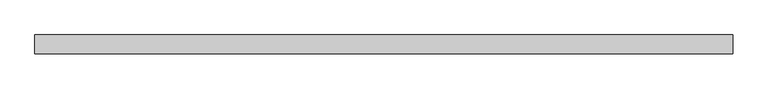
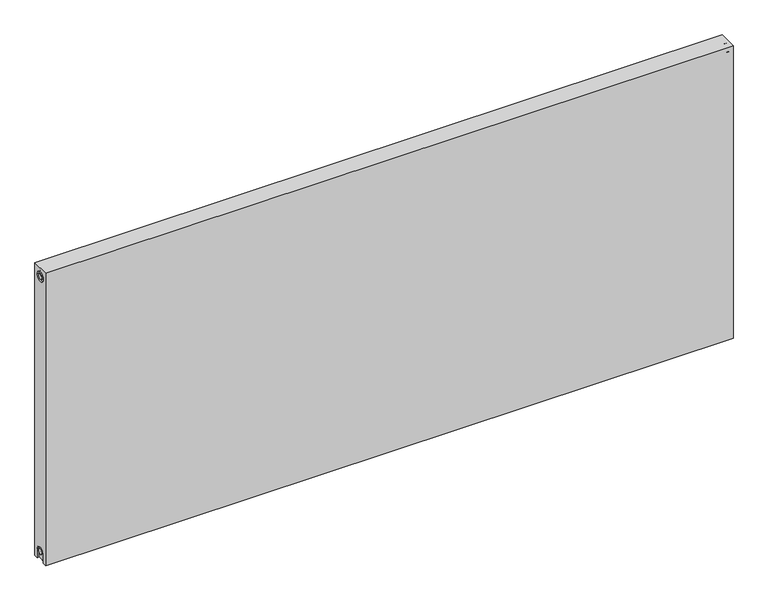
"""IFC4 building model written with IfcOpenShell, lengths in millimetres: proxy geometry."""

from ifc_helpers import new_model, si_unit, frame, origin, place, context, project, spatial, polyline, circle_curve, source, transform, mapped, element, save
from ifc_brep_helpers import plane_surface, cylinder_surface, revolved_surface, advanced_brep


def mechanical_equipment_a3fffa4e(model_context):
    return source(origin(), model_context, "Body", "AdvancedBrep", [
        advanced_brep(
        [(2000.0, 27.0, 900.0), (2000.0, 27.0, 0.0), (0.0, 27.0, 0.0), (0.0, 27.0, 900.0), (2000.0, -27.0, 900.0), (0.0, -27.0, 900.0), (0.0, -27.0, 0.0), (2000.0, -27.0, 0.0), (2000.0, -15.0, 0.0), (2000.0, -15.0, 27.0), (2000.0, 15.0, 27.0), (2000.0, 15.0, 0.0), (2000.0, 14.7242393, 873.0), (2000.0, -15.2757607, 873.0), (2000.0, -7.5, 27.0), (2000.0, 7.5, 27.0), (2000.0, 7.2242393, 873.0), (2000.0, -7.7757607, 873.0), (1995.0, 15.0, 0.0), (1995.0, -15.0, 0.0), (0.0, -15.0, 0.0), (5.0, -15.0, 0.0), (5.0, 15.0, 0.0), (0.0, 15.0, 0.0), (0.0, 15.0, 27.0), (0.0, -15.0, 27.0), (0.0, -15.2757607, 873.0), (0.0, 14.7242393, 873.0), (0.0, -7.7757607, 873.0), (0.0, 7.2242393, 873.0), (0.0, 7.5, 27.0), (0.0, -7.5, 27.0), (5.0, -15.2757607, 873.0), (5.0, 14.7242393, 873.0), (5.0, -7.7757607, 873.0), (5.0, 7.2242393, 873.0), (5.0, -15.0, 27.0), (5.0, 15.0, 27.0), (5.0, -7.5, 27.0), (5.0, 7.5, 27.0), (1995.0, 15.0, 27.0), (1995.0, -15.0, 27.0), (1995.0, -7.5, 27.0), (1995.0, 7.5, 27.0), (1995.0, -15.2757607, 873.0), (1995.0, 14.7242393, 873.0), (1995.0, -7.7757607, 873.0), (1995.0, 7.2242393, 873.0)],
        [
            (0, 1),
            (1, 2),
            (2, 3),
            (3, 0),
            (4, 5),
            (5, 6),
            (6, 7),
            (7, 4),
            (0, 4),
            (7, 8),
            (8, 9),
            (9, 10, circle_curve(frame((2000.0, 0.0, 27.0), z_axis=(-1.0, 0.0, 0.0), x_axis=(0.0, 1.0, 0.0)), 15.0)),
            (10, 11),
            (11, 1),
            (12, 13, circle_curve(frame((2000.0, -0.2757607, 873.0), z_axis=(-1.0, 0.0, 0.0), x_axis=(0.0, 1.0, 0.0)), 15.0)),
            (13, 12, circle_curve(frame((2000.0, -0.2757607, 873.0), z_axis=(-1.0, 0.0, 0.0), x_axis=(0.0, 1.0, 0.0)), 15.0)),
            (14, 15, circle_curve(frame((2000.0, 0.0, 27.0), z_axis=(1.0, 0.0, 0.0), x_axis=(0.0, 1.0, 0.0)), 7.5)),
            (15, 14, circle_curve(frame((2000.0, 0.0, 27.0), z_axis=(1.0, 0.0, 0.0), x_axis=(0.0, 1.0, 0.0)), 7.5)),
            (16, 17, circle_curve(frame((2000.0, -0.2757607, 873.0), z_axis=(1.0, 0.0, 0.0), x_axis=(0.0, 1.0, 0.0)), 7.5)),
            (17, 16, circle_curve(frame((2000.0, -0.2757607, 873.0), z_axis=(1.0, 0.0, 0.0), x_axis=(0.0, 1.0, 0.0)), 7.5)),
            (11, 18),
            (18, 19),
            (19, 8),
            (6, 20),
            (20, 21),
            (21, 22),
            (22, 23),
            (23, 2),
            (23, 24),
            (24, 25, circle_curve(frame((0.0, 0.0, 27.0), z_axis=(1.0, 0.0, 0.0), x_axis=(0.0, 1.0, 0.0)), 15.0)),
            (25, 20),
            (5, 3),
            (26, 27, circle_curve(frame((0.0, -0.2757607, 873.0), z_axis=(1.0, 0.0, 0.0), x_axis=(0.0, 1.0, 0.0)), 15.0)),
            (27, 26, circle_curve(frame((0.0, -0.2757607, 873.0), z_axis=(1.0, 0.0, 0.0), x_axis=(0.0, 1.0, 0.0)), 15.0)),
            (28, 29, circle_curve(frame((0.0, -0.2757607, 873.0), z_axis=(-1.0, 0.0, 0.0), x_axis=(0.0, 1.0, 0.0)), 7.5)),
            (29, 28, circle_curve(frame((0.0, -0.2757607, 873.0), z_axis=(-1.0, 0.0, 0.0), x_axis=(0.0, 1.0, 0.0)), 7.5)),
            (30, 31, circle_curve(frame((0.0, 0.0, 27.0), z_axis=(-1.0, 0.0, 0.0), x_axis=(0.0, 1.0, 0.0)), 7.5)),
            (31, 30, circle_curve(frame((0.0, 0.0, 27.0), z_axis=(-1.0, 0.0, 0.0), x_axis=(0.0, 1.0, 0.0)), 7.5)),
            (32, 33, circle_curve(frame((5.0, -0.2757607, 873.0), z_axis=(-1.0, 0.0, 0.0), x_axis=(0.0, 1.0, 0.0)), 15.0)),
            (33, 32, circle_curve(frame((5.0, -0.2757607, 873.0), z_axis=(-1.0, 0.0, 0.0), x_axis=(0.0, 1.0, 0.0)), 15.0)),
            (34, 35, circle_curve(frame((5.0, -0.2757607, 873.0), z_axis=(1.0, 0.0, 0.0), x_axis=(0.0, 1.0, 0.0)), 7.5)),
            (35, 34, circle_curve(frame((5.0, -0.2757607, 873.0), z_axis=(1.0, 0.0, 0.0), x_axis=(0.0, 1.0, 0.0)), 7.5)),
            (33, 27),
            (26, 32),
            (35, 29),
            (28, 34),
            (21, 36),
            (36, 37, circle_curve(frame((5.0, 0.0, 27.0), z_axis=(-1.0, 0.0, 0.0), x_axis=(0.0, 1.0, 0.0)), 15.0)),
            (37, 22),
            (38, 39, circle_curve(frame((5.0, 0.0, 27.0), z_axis=(1.0, 0.0, 0.0), x_axis=(0.0, 1.0, 0.0)), 7.5)),
            (39, 38, circle_curve(frame((5.0, 0.0, 27.0), z_axis=(1.0, 0.0, 0.0), x_axis=(0.0, 1.0, 0.0)), 7.5)),
            (38, 31),
            (30, 39),
            (37, 24),
            (36, 25),
            (18, 40),
            (40, 41, circle_curve(frame((1995.0, 0.0, 27.0), z_axis=(1.0, 0.0, 0.0), x_axis=(0.0, 1.0, 0.0)), 15.0)),
            (41, 19),
            (42, 43, circle_curve(frame((1995.0, 0.0, 27.0), z_axis=(-1.0, 0.0, 0.0), x_axis=(0.0, 1.0, 0.0)), 7.5)),
            (43, 42, circle_curve(frame((1995.0, 0.0, 27.0), z_axis=(-1.0, 0.0, 0.0), x_axis=(0.0, 1.0, 0.0)), 7.5)),
            (43, 15),
            (14, 42),
            (10, 40),
            (9, 41),
            (44, 45, circle_curve(frame((1995.0, -0.2757607, 873.0), z_axis=(1.0, 0.0, 0.0), x_axis=(0.0, 1.0, 0.0)), 15.0)),
            (45, 44, circle_curve(frame((1995.0, -0.2757607, 873.0), z_axis=(1.0, 0.0, 0.0), x_axis=(0.0, 1.0, 0.0)), 15.0)),
            (46, 47, circle_curve(frame((1995.0, -0.2757607, 873.0), z_axis=(-1.0, 0.0, 0.0), x_axis=(0.0, 1.0, 0.0)), 7.5)),
            (47, 46, circle_curve(frame((1995.0, -0.2757607, 873.0), z_axis=(-1.0, 0.0, 0.0), x_axis=(0.0, 1.0, 0.0)), 7.5)),
            (44, 13),
            (12, 45),
            (46, 17),
            (16, 47),
        ],
        [
            plane_surface(frame((2000.0, 27.0, 900.0), z_axis=(0.0, 1.0, 0.0), x_axis=(0.0, 0.0, -1.0))),
            plane_surface(frame((2000.0, -27.0, 900.0), z_axis=(0.0, -1.0, 0.0), x_axis=(0.0, 0.0, 1.0))),
            plane_surface(frame((2000.0, 27.0, 900.0), z_axis=(1.0, 0.0, 0.0), x_axis=(0.0, -1.0, 0.0))),
            plane_surface(frame((2000.0, 27.0, 0.0), z_axis=(0.0, 0.0, -1.0), x_axis=(0.0, -1.0, 0.0))),
            plane_surface(frame((0.0, 27.0, 0.0), z_axis=(-1.0, 0.0, 0.0), x_axis=(0.0, -1.0, 0.0))),
            plane_surface(frame((0.0, 27.0, 900.0), z_axis=(0.0, 0.0, 1.0), x_axis=(0.0, -1.0, 0.0))),
            plane_surface(frame((5.0, 14.7242393, 873.0), z_axis=(-1.0, 0.0, 0.0), x_axis=(0.0, 0.0, 1.0))),
            revolved_surface(polyline([(5.0, 14.7242393, 873.0), (0.0, 14.7242393, 873.0)]), (0.0, -0.2757607, 873.0), (1.0, 0.0, 0.0)),
            cylinder_surface(frame((0.0, -0.2757607, 873.0), z_axis=(-1.0, 0.0, 0.0), x_axis=(0.0, 1.0, 0.0)), 7.5),
            plane_surface(frame((5.0, 7.5, 27.0), z_axis=(-1.0, 0.0, 0.0), x_axis=(0.0, 0.0, -1.0))),
            cylinder_surface(frame((0.0, 0.0, 27.0), z_axis=(-1.0, 0.0, 0.0), x_axis=(0.0, 1.0, 0.0)), 7.5),
            plane_surface(frame((5.0, 15.0, 0.0), z_axis=(0.0, -1.0, 0.0), x_axis=(-1.0, 0.0, 0.0))),
            revolved_surface(polyline([(5.0, 15.0, 27.0), (0.0, 15.0, 27.0)]), (0.0, 0.0, 27.0), (1.0, 0.0, 0.0)),
            plane_surface(frame((5.0, -15.0, 27.0), z_axis=(0.0, 1.0, 0.0), x_axis=(-1.0, 0.0, 0.0))),
            plane_surface(frame((1995.0, 7.5, 27.0), z_axis=(1.0, 0.0, 0.0), x_axis=(0.0, 0.0, 1.0))),
            cylinder_surface(frame((1995.0, 0.0, 27.0), z_axis=(-1.0, 0.0, 0.0), x_axis=(0.0, 1.0, 0.0)), 7.5),
            plane_surface(frame((2000.0, 15.0, 0.0), z_axis=(0.0, -1.0, 0.0), x_axis=(-1.0, 0.0, 0.0))),
            revolved_surface(polyline([(2000.0, 15.0, 27.0), (1995.0, 15.0, 27.0)]), (895.0, 0.0, 27.0), (1.0, 0.0, 0.0)),
            plane_surface(frame((2000.0, -15.0, 27.0), z_axis=(0.0, 1.0, 0.0), x_axis=(-1.0, 0.0, 0.0))),
            plane_surface(frame((1995.0, 14.7242393, 873.0), z_axis=(1.0, 0.0, 0.0), x_axis=(0.0, 0.0, -1.0))),
            revolved_surface(polyline([(2000.0, 14.7242393, 873.0), (1995.0, 14.7242393, 873.0)]), (1995.0, -0.2757607, 873.0), (1.0, 0.0, 0.0)),
            cylinder_surface(frame((895.0, -0.2757607, 873.0), z_axis=(-1.0, 0.0, 0.0), x_axis=(0.0, 1.0, 0.0)), 7.5),
        ],
        [
            (0, [[1, 2, 3, 4]]),
            (1, [[5, 6, 7, 8]]),
            (2, [[-1, 9, -8, 10, 11, 12, 13, 14], [15, 16]]),
            (2, [[17, 18]]),
            (2, [[19, 20]]),
            (3, [[-2, -14, 21, 22, 23, -10, -7, 24, 25, 26, 27, 28]]),
            (4, [[-3, -28, 29, 30, 31, -24, -6, 32], [33, 34]]),
            (4, [[35, 36]]),
            (4, [[37, 38]]),
            (5, [[-4, -32, -5, -9]]),
            (6, [[39, 40], [41, 42]]),
            (7, [[-40, 43, -33, 44]]),
            (7, [[-39, -44, -34, -43]]),
            (8, [[-42, 45, -35, 46]]),
            (8, [[-41, -46, -36, -45]]),
            (9, [[47, 48, 49, -26], [50, 51]]),
            (10, [[-50, 52, -37, 53]]),
            (10, [[-51, -53, -38, -52]]),
            (11, [[-49, 54, -29, -27]]),
            (12, [[-48, 55, -30, -54]]),
            (13, [[-47, -25, -31, -55]]),
            (14, [[56, 57, 58, -22], [59, 60]]),
            (15, [[-60, 61, -17, 62]]),
            (15, [[-59, -62, -18, -61]]),
            (16, [[-56, -21, -13, 63]]),
            (17, [[-57, -63, -12, 64]]),
            (18, [[-58, -64, -11, -23]]),
            (19, [[65, 66], [67, 68]]),
            (20, [[-65, 69, -15, 70]]),
            (20, [[-66, -70, -16, -69]]),
            (21, [[-67, 71, -19, 72]]),
            (21, [[-68, -72, -20, -71]]),
        ],
    ),
    ])


if __name__ == "__main__":
    model = new_model("IFC4")
    model_context = context("Model", 3, world=origin())
    ifc_project = project(units=[si_unit("LENGTHUNIT", "METRE", prefix="MILLI")], contexts=[model_context])
    site = spatial("IfcSite", under=ifc_project)
    building = spatial("IfcBuilding", under=site)
    placement = place(None, origin())
    mechanical_equipment_shape = mechanical_equipment_a3fffa4e(model_context)
    element("IfcBuildingElementProxy", 1, Name="Mechanical Equipment", at=placement, inside=building, context=model_context, shape_type="MappedRepresentation", body=[
        mapped(mechanical_equipment_shape, transform((0.0, 0.0, 0.0), x_axis=(1.0, 0.0, 0.0), y_axis=(0.0, 1.0, 0.0), z_axis=(0.0, 0.0, 1.0))),
    ])
    save(model, "model.ifc")
